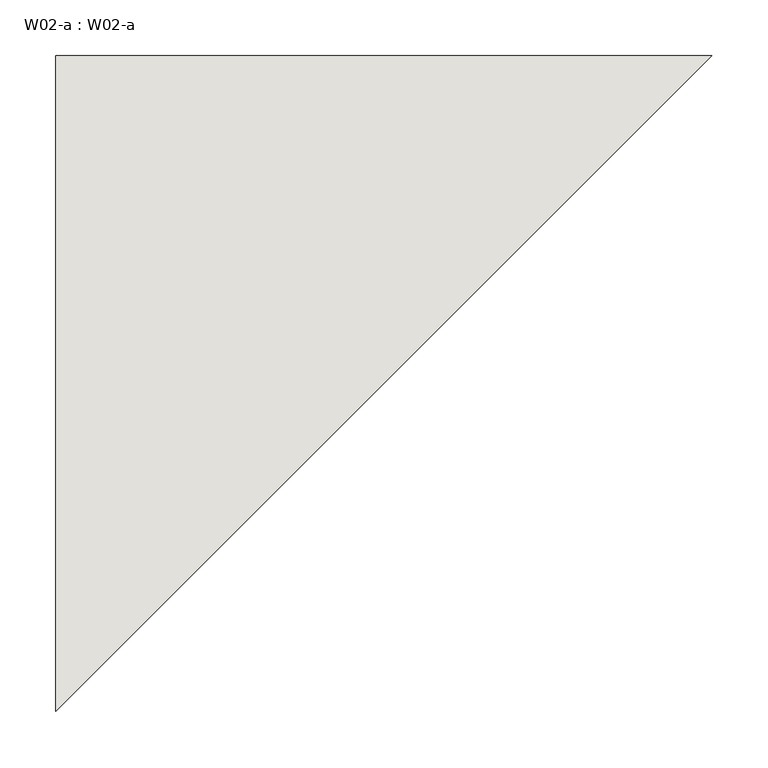
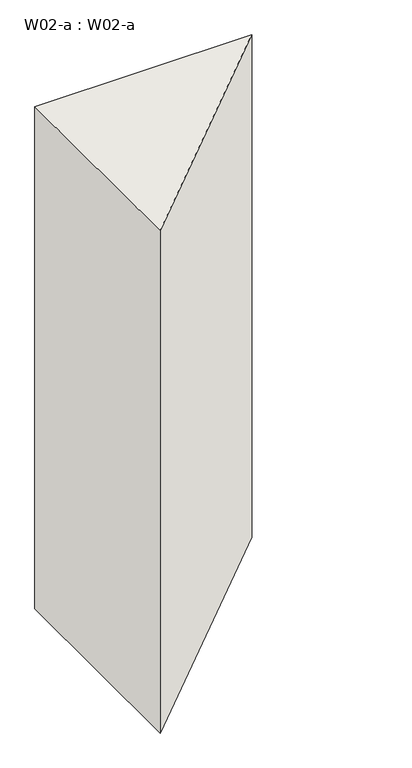
"""IFC4 building model written with IfcOpenShell, lengths in millimetres: wall geometry, W02-a : W02-a."""

from ifc_helpers import new_model, si_unit, frame, origin, place, context, project, spatial, polyline, outline, extrude, source, transform, mapped, element, save


def w02_a_w02_a_258ba0da(model_context):
    return source(origin(), model_context, "Body", "SweptSolid", [
        extrude(outline(polyline([(-61304.8193536, 104245.2799233), (-61892.6223735, 103657.4769045), (-61892.6223736, 104245.2799232), (-61304.8193536, 104245.2799233)])), frame((0.0, 0.0, 2650.0), z_axis=(0.0, 0.0, 1.0), x_axis=(1.0, 0.0, 0.0)), (0.0, 0.0, 1.0), 1440.0),
    ])


if __name__ == "__main__":
    model = new_model("IFC4")
    model_context = context("Model", 3, world=origin())
    ifc_project = project(units=[si_unit("LENGTHUNIT", "METRE", prefix="MILLI")], contexts=[model_context])
    site = spatial("IfcSite", under=ifc_project)
    building = spatial("IfcBuilding", under=site)
    placement = place(None, origin())
    w02_a_w02_a_shape = w02_a_w02_a_258ba0da(model_context)
    element("IfcWall", 1, ObjectType="W02-a : W02-a", at=placement, inside=building, context=model_context, shape_type="MappedRepresentation", body=[
        mapped(w02_a_w02_a_shape, transform((0.0, 0.0, 0.0), x_axis=(1.0, 0.0, 0.0), y_axis=(0.0, 1.0, 0.0), z_axis=(0.0, 0.0, 1.0))),
    ])
    save(model, "model.ifc")
